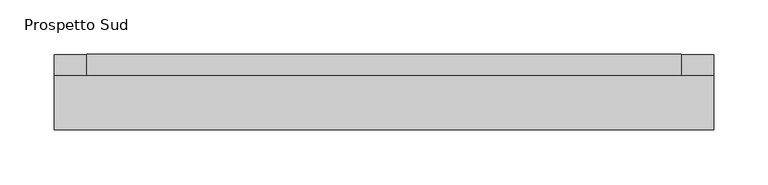
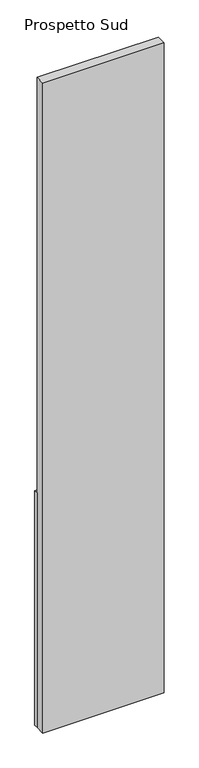
"""IFC4 building model written with IfcOpenShell, lengths in millimetres: furniture geometry, Prospetto Sud."""

from ifc_helpers import new_model, si_unit, frame, origin, origin_with_axes, place, context, project, spatial, polyline, outline, extrude, source, transform, mapped, element, save


def prospetto_sud_fd285ea3(model_context):
    return source(origin(), model_context, "Body", "SweptSolid", [
        extrude(outline(polyline([(430.0, 340.0), (-180.0, 340.0), (-180.0, 360.0), (430.0, 360.0), (430.0, 340.0)])), origin_with_axes(), (0.0, 0.0, 1.0), 1245.0),
        extrude(outline(polyline([(400.0, 340.0), (-150.0, 340.0), (-150.0, 360.0), (400.0, 360.0), (400.0, 340.0)])), frame((0.0, 0.0, 2145.0), z_axis=(0.0, 0.0, 1.0), x_axis=(1.0, 0.0, 0.0)), (0.0, 0.0, 1.0), 405.0),
        extrude(outline(polyline([(400.0, 340.0), (-150.0, 340.0), (-150.0, 360.0), (400.0, 360.0), (400.0, 340.0)])), frame((0.0, 0.0, 2580.0), z_axis=(0.0, 0.0, 1.0), x_axis=(1.0, 0.0, 0.0)), (0.0, 0.0, 1.0), 405.0),
        extrude(outline(polyline([(400.0, 340.0), (-150.0, 340.0), (-150.0, 360.0), (400.0, 360.0), (400.0, 340.0)])), frame((0.0, 0.0, 3015.0), z_axis=(0.0, 0.0, 1.0), x_axis=(1.0, 0.0, 0.0)), (0.0, 0.0, 1.0), 405.0),
        extrude(outline(polyline([(400.0, 340.0), (-150.0, 340.0), (-150.0, 360.0), (400.0, 360.0), (400.0, 340.0)])), frame((0.0, 0.0, 1275.0), z_axis=(0.0, 0.0, 1.0), x_axis=(1.0, 0.0, 0.0)), (0.0, 0.0, 1.0), 405.0),
        extrude(outline(polyline([(400.0, 340.0), (-150.0, 340.0), (-150.0, 360.0), (400.0, 360.0), (400.0, 340.0)])), frame((0.0, 0.0, 1710.0), z_axis=(0.0, 0.0, 1.0), x_axis=(1.0, 0.0, 0.0)), (0.0, 0.0, 1.0), 405.0),
        extrude(outline(polyline([(430.0, 290.0), (-180.0, 290.0), (-180.0, 340.0), (430.0, 340.0), (430.0, 290.0)])), origin_with_axes(), (0.0, 0.0, 1.0), 3450.0),
    ])


if __name__ == "__main__":
    model = new_model("IFC4")
    model_context = context("Model", 3, world=origin())
    ifc_project = project(units=[si_unit("LENGTHUNIT", "METRE", prefix="MILLI")], contexts=[model_context])
    site = spatial("IfcSite", under=ifc_project)
    building = spatial("IfcBuilding", under=site)
    placement = place(None, origin())
    prospetto_sud_shape = prospetto_sud_fd285ea3(model_context)
    element("IfcFurniture", 1, ObjectType="Prospetto Sud", at=placement, inside=building, context=model_context, shape_type="MappedRepresentation", body=[
        mapped(prospetto_sud_shape, transform((0.0, 0.0, 0.0), x_axis=(1.0, 0.0, 0.0), y_axis=(0.0, 1.0, 0.0), z_axis=(0.0, 0.0, 1.0))),
    ])
    save(model, "model.ifc")
